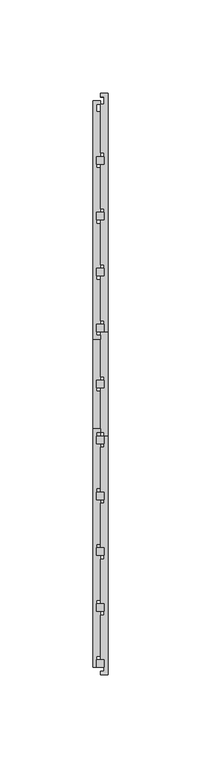
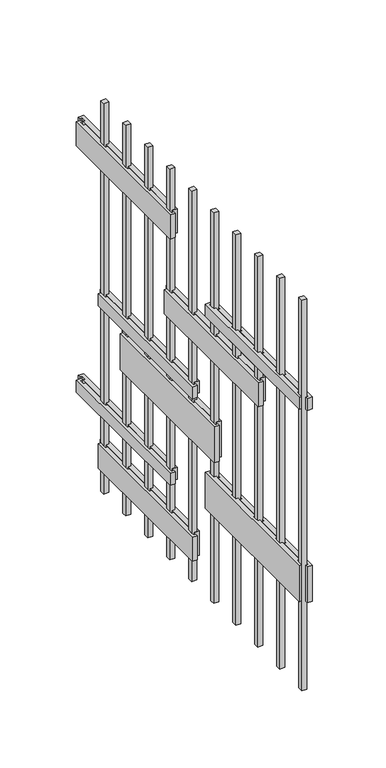
"""IFC4 building model written with IfcOpenShell, lengths in millimetres: proxy geometry."""

from ifc_helpers import new_model, si_unit, frame, origin, origin_with_axes, place, context, project, spatial, polyline, outline, extrude, source, transform, mapped, element, save


def generic_models_2b47cfcf(model_context):
    return source(origin(), model_context, "Body", "SweptSolid", [
        extrude(outline(polyline([(2.0, -242.0), (-2.0, -242.0), (-2.0, -238.0), (2.0, -238.0), (2.0, -242.0)])), origin_with_axes(), (0.0, 0.0, 1.0), 325.0),
        extrude(outline(polyline([(2.0, -272.0), (-2.0, -272.0), (-2.0, -268.0), (2.0, -268.0), (2.0, -272.0)])), origin_with_axes(), (0.0, 0.0, 1.0), 325.0),
        extrude(outline(polyline([(4.0, 36.0), (4.0, -92.0), (0.0, -92.0), (0.0, -90.0), (2.0, -90.0), (2.0, -86.0), (0.0, -86.0), (0.0, -60.0), (2.0, -60.0), (2.0, -56.0), (0.0, -56.0), (0.0, -30.0), (2.0, -30.0), (2.0, -26.0), (0.0, -26.0), (0.0, 0.0), (2.0, 0.0), (2.0, 4.0), (0.0, 4.0), (0.0, 30.0), (2.0, 30.0), (2.0, 34.0), (0.0, 34.0), (0.0, 36.0), (4.0, 36.0)])), frame((0.0, 0.0, 65.0), z_axis=(0.0, 0.0, 1.0), x_axis=(1.0, 0.0, 0.0)), (0.0, 0.0, 1.0), 10.0),
        extrude(outline(polyline([(4.0, 6.0), (4.0, -122.0), (0.0, -122.0), (0.0, -120.0), (2.0, -120.0), (2.0, -116.0), (0.0, -116.0), (0.0, -90.0), (2.0, -90.0), (2.0, -86.0), (0.0, -86.0), (0.0, -60.0), (2.0, -60.0), (2.0, -56.0), (0.0, -56.0), (0.0, -30.0), (2.0, -30.0), (2.0, -26.0), (0.0, -26.0), (0.0, 0.0), (2.0, 0.0), (2.0, 4.0), (0.0, 4.0), (0.0, 6.0), (4.0, 6.0)])), frame((0.0, 0.0, 20.0), z_axis=(0.0, 0.0, 1.0), x_axis=(1.0, 0.0, 0.0)), (0.0, 0.0, 1.0), 20.0),
        extrude(outline(polyline([(4.0, -148.0), (4.0, -276.0), (0.0, -276.0), (0.0, -274.0), (2.0, -274.0), (2.0, -270.0), (0.0, -270.0), (0.0, -244.0), (2.0, -244.0), (2.0, -240.0), (0.0, -240.0), (0.0, -214.0), (2.0, -214.0), (2.0, -210.0), (0.0, -210.0), (0.0, -184.0), (2.0, -184.0), (2.0, -180.0), (0.0, -180.0), (0.0, -154.0), (2.0, -154.0), (2.0, -150.0), (0.0, -150.0), (0.0, -148.0), (4.0, -148.0)])), frame((0.0, 0.0, 75.0), z_axis=(0.0, 0.0, 1.0), x_axis=(1.0, 0.0, 0.0)), (0.0, 0.0, 1.0), 30.0),
        extrude(outline(polyline([(4.0, -24.0), (4.0, -152.0), (0.0, -152.0), (0.0, -150.0), (2.0, -150.0), (2.0, -146.0), (0.0, -146.0), (0.0, -120.0), (2.0, -120.0), (2.0, -116.0), (0.0, -116.0), (0.0, -90.0), (2.0, -90.0), (2.0, -86.0), (0.0, -86.0), (0.0, -60.0), (2.0, -60.0), (2.0, -56.0), (0.0, -56.0), (0.0, -30.0), (2.0, -30.0), (2.0, -26.0), (0.0, -26.0), (0.0, -24.0), (4.0, -24.0)])), frame((0.0, 0.0, 120.0), z_axis=(0.0, 0.0, 1.0), x_axis=(1.0, 0.0, 0.0)), (0.0, 0.0, 1.0), 30.0),
        extrude(outline(polyline([(4.0, 6.0), (4.0, -122.0), (0.0, -122.0), (0.0, -120.0), (2.0, -120.0), (2.0, -116.0), (0.0, -116.0), (0.0, -90.0), (2.0, -90.0), (2.0, -86.0), (0.0, -86.0), (0.0, -60.0), (2.0, -60.0), (2.0, -56.0), (0.0, -56.0), (0.0, -30.0), (2.0, -30.0), (2.0, -26.0), (0.0, -26.0), (0.0, 0.0), (2.0, 0.0), (2.0, 4.0), (0.0, 4.0), (0.0, 6.0), (4.0, 6.0)])), frame((0.0, 0.0, 155.0), z_axis=(0.0, 0.0, 1.0), x_axis=(1.0, 0.0, 0.0)), (0.0, 0.0, 1.0), 10.0),
        extrude(outline(polyline([(4.0, -84.0), (4.0, -212.0), (0.0, -212.0), (0.0, -210.0), (2.0, -210.0), (2.0, -206.0), (0.0, -206.0), (0.0, -180.0), (2.0, -180.0), (2.0, -176.0), (0.0, -176.0), (0.0, -150.0), (2.0, -150.0), (2.0, -146.0), (0.0, -146.0), (0.0, -120.0), (2.0, -120.0), (2.0, -116.0), (0.0, -116.0), (0.0, -90.0), (2.0, -90.0), (2.0, -86.0), (0.0, -86.0), (0.0, -84.0), (4.0, -84.0)])), frame((0.0, 0.0, 203.0), z_axis=(0.0, 0.0, 1.0), x_axis=(1.0, 0.0, 0.0)), (0.0, 0.0, 1.0), 20.0),
        extrude(outline(polyline([(4.0, -148.0), (4.0, -276.0), (0.0, -276.0), (0.0, -274.0), (2.0, -274.0), (2.0, -270.0), (0.0, -270.0), (0.0, -244.0), (2.0, -244.0), (2.0, -240.0), (0.0, -240.0), (0.0, -214.0), (2.0, -214.0), (2.0, -210.0), (0.0, -210.0), (0.0, -184.0), (2.0, -184.0), (2.0, -180.0), (0.0, -180.0), (0.0, -154.0), (2.0, -154.0), (2.0, -150.0), (0.0, -150.0), (0.0, -148.0), (4.0, -148.0)])), frame((0.0, 0.0, 235.0), z_axis=(0.0, 0.0, 1.0), x_axis=(1.0, 0.0, 0.0)), (0.0, 0.0, 1.0), 10.0),
        extrude(outline(polyline([(4.0, 36.0), (4.0, -92.0), (0.0, -92.0), (0.0, -90.0), (2.0, -90.0), (2.0, -86.0), (0.0, -86.0), (0.0, -60.0), (2.0, -60.0), (2.0, -56.0), (0.0, -56.0), (0.0, -30.0), (2.0, -30.0), (2.0, -26.0), (0.0, -26.0), (0.0, 0.0), (2.0, 0.0), (2.0, 4.0), (0.0, 4.0), (0.0, 30.0), (2.0, 30.0), (2.0, 34.0), (0.0, 34.0), (0.0, 36.0), (4.0, 36.0)])), frame((0.0, 0.0, 270.0), z_axis=(0.0, 0.0, 1.0), x_axis=(1.0, 0.0, 0.0)), (0.0, 0.0, 1.0), 20.0),
        extrude(outline(polyline([(-4.0, -272.0), (-4.0, -144.0), (0.0, -144.0), (0.0, -146.0), (-2.0, -146.0), (-2.0, -150.0), (0.0, -150.0), (0.0, -176.0), (-2.0, -176.0), (-2.0, -180.0), (0.0, -180.0), (0.0, -206.0), (-2.0, -206.0), (-2.0, -210.0), (0.0, -210.0), (0.0, -236.0), (-2.0, -236.0), (-2.0, -240.0), (0.0, -240.0), (0.0, -266.0), (-2.0, -266.0), (-2.0, -270.0), (0.0, -270.0), (0.0, -272.0), (-4.0, -272.0)])), frame((0.0, 0.0, 235.0), z_axis=(0.0, 0.0, 1.0), x_axis=(1.0, 0.0, 0.0)), (0.0, 0.0, 1.0), 10.0),
        extrude(outline(polyline([(-4.0, -272.0), (-4.0, -144.0), (0.0, -144.0), (0.0, -146.0), (-2.0, -146.0), (-2.0, -150.0), (0.0, -150.0), (0.0, -176.0), (-2.0, -176.0), (-2.0, -180.0), (0.0, -180.0), (0.0, -206.0), (-2.0, -206.0), (-2.0, -210.0), (0.0, -210.0), (0.0, -236.0), (-2.0, -236.0), (-2.0, -240.0), (0.0, -240.0), (0.0, -266.0), (-2.0, -266.0), (-2.0, -270.0), (0.0, -270.0), (0.0, -272.0), (-4.0, -272.0)])), frame((0.0, 0.0, 75.0), z_axis=(0.0, 0.0, 1.0), x_axis=(1.0, 0.0, 0.0)), (0.0, 0.0, 1.0), 30.0),
        extrude(outline(polyline([(-4.0, -96.0), (-4.0, 32.0), (0.0, 32.0), (0.0, 30.0), (-2.0, 30.0), (-2.0, 26.0), (0.0, 26.0), (0.0, 0.0), (-2.0, 0.0), (-2.0, -4.0), (0.0, -4.0), (0.0, -30.0), (-2.0, -30.0), (-2.0, -34.0), (0.0, -34.0), (0.0, -60.0), (-2.0, -60.0), (-2.0, -64.0), (0.0, -64.0), (0.0, -90.0), (-2.0, -90.0), (-2.0, -94.0), (0.0, -94.0), (0.0, -96.0), (-4.0, -96.0)])), frame((0.0, 0.0, 270.0), z_axis=(0.0, 0.0, 1.0), x_axis=(1.0, 0.0, 0.0)), (0.0, 0.0, 1.0), 20.0),
        extrude(outline(polyline([(2.0, -212.0), (-2.0, -212.0), (-2.0, -208.0), (2.0, -208.0), (2.0, -212.0)])), origin_with_axes(), (0.0, 0.0, 1.0), 325.0),
        extrude(outline(polyline([(2.0, -182.0), (-2.0, -182.0), (-2.0, -178.0), (2.0, -178.0), (2.0, -182.0)])), origin_with_axes(), (0.0, 0.0, 1.0), 325.0),
        extrude(outline(polyline([(-4.0, -216.0), (-4.0, -88.0), (0.0, -88.0), (0.0, -90.0), (-2.0, -90.0), (-2.0, -94.0), (0.0, -94.0), (0.0, -120.0), (-2.0, -120.0), (-2.0, -124.0), (0.0, -124.0), (0.0, -150.0), (-2.0, -150.0), (-2.0, -154.0), (0.0, -154.0), (0.0, -180.0), (-2.0, -180.0), (-2.0, -184.0), (0.0, -184.0), (0.0, -210.0), (-2.0, -210.0), (-2.0, -214.0), (0.0, -214.0), (0.0, -216.0), (-4.0, -216.0)])), frame((0.0, 0.0, 203.0), z_axis=(0.0, 0.0, 1.0), x_axis=(1.0, 0.0, 0.0)), (0.0, 0.0, 1.0), 20.0),
        extrude(outline(polyline([(-4.0, -96.0), (-4.0, 32.0), (0.0, 32.0), (0.0, 30.0), (-2.0, 30.0), (-2.0, 26.0), (0.0, 26.0), (0.0, 0.0), (-2.0, 0.0), (-2.0, -4.0), (0.0, -4.0), (0.0, -30.0), (-2.0, -30.0), (-2.0, -34.0), (0.0, -34.0), (0.0, -60.0), (-2.0, -60.0), (-2.0, -64.0), (0.0, -64.0), (0.0, -90.0), (-2.0, -90.0), (-2.0, -94.0), (0.0, -94.0), (0.0, -96.0), (-4.0, -96.0)])), frame((0.0, 0.0, 65.0), z_axis=(0.0, 0.0, 1.0), x_axis=(1.0, 0.0, 0.0)), (0.0, 0.0, 1.0), 10.0),
        extrude(outline(polyline([(-4.0, -126.0), (-4.0, 2.0), (0.0, 2.0), (0.0, 0.0), (-2.0, 0.0), (-2.0, -4.0), (0.0, -4.0), (0.0, -30.0), (-2.0, -30.0), (-2.0, -34.0), (0.0, -34.0), (0.0, -60.0), (-2.0, -60.0), (-2.0, -64.0), (0.0, -64.0), (0.0, -90.0), (-2.0, -90.0), (-2.0, -94.0), (0.0, -94.0), (0.0, -120.0), (-2.0, -120.0), (-2.0, -124.0), (0.0, -124.0), (0.0, -126.0), (-4.0, -126.0)])), frame((0.0, 0.0, 20.0), z_axis=(0.0, 0.0, 1.0), x_axis=(1.0, 0.0, 0.0)), (0.0, 0.0, 1.0), 20.0),
        extrude(outline(polyline([(-4.0, -156.0), (-4.0, -28.0), (0.0, -28.0), (0.0, -30.0), (-2.0, -30.0), (-2.0, -34.0), (0.0, -34.0), (0.0, -60.0), (-2.0, -60.0), (-2.0, -64.0), (0.0, -64.0), (0.0, -90.0), (-2.0, -90.0), (-2.0, -94.0), (0.0, -94.0), (0.0, -120.0), (-2.0, -120.0), (-2.0, -124.0), (0.0, -124.0), (0.0, -150.0), (-2.0, -150.0), (-2.0, -154.0), (0.0, -154.0), (0.0, -156.0), (-4.0, -156.0)])), frame((0.0, 0.0, 120.0), z_axis=(0.0, 0.0, 1.0), x_axis=(1.0, 0.0, 0.0)), (0.0, 0.0, 1.0), 30.0),
        extrude(outline(polyline([(-4.0, -126.0), (-4.0, 2.0), (0.0, 2.0), (0.0, 0.0), (-2.0, 0.0), (-2.0, -4.0), (0.0, -4.0), (0.0, -30.0), (-2.0, -30.0), (-2.0, -34.0), (0.0, -34.0), (0.0, -60.0), (-2.0, -60.0), (-2.0, -64.0), (0.0, -64.0), (0.0, -90.0), (-2.0, -90.0), (-2.0, -94.0), (0.0, -94.0), (0.0, -120.0), (-2.0, -120.0), (-2.0, -124.0), (0.0, -124.0), (0.0, -126.0), (-4.0, -126.0)])), frame((0.0, 0.0, 155.0), z_axis=(0.0, 0.0, 1.0), x_axis=(1.0, 0.0, 0.0)), (0.0, 0.0, 1.0), 10.0),
        extrude(outline(polyline([(2.0, -148.0), (2.0, -152.0), (-2.0, -152.0), (-2.0, -148.0), (2.0, -148.0)])), origin_with_axes(), (0.0, 0.0, 1.0), 325.0),
        extrude(outline(polyline([(2.0, -118.0), (2.0, -122.0), (-2.0, -122.0), (-2.0, -118.0), (2.0, -118.0)])), origin_with_axes(), (0.0, 0.0, 1.0), 325.0),
        extrude(outline(polyline([(2.0, -88.0), (2.0, -92.0), (-2.0, -92.0), (-2.0, -88.0), (2.0, -88.0)])), origin_with_axes(), (0.0, 0.0, 1.0), 325.0),
        extrude(outline(polyline([(2.0, -58.0), (2.0, -62.0), (-2.0, -62.0), (-2.0, -58.0), (2.0, -58.0)])), origin_with_axes(), (0.0, 0.0, 1.0), 325.0),
        extrude(outline(polyline([(2.0, -28.0), (2.0, -32.0), (-2.0, -32.0), (-2.0, -28.0), (2.0, -28.0)])), origin_with_axes(), (0.0, 0.0, 1.0), 325.0),
        extrude(outline(polyline([(2.0, 2.0), (2.0, -2.0), (-2.0, -2.0), (-2.0, 2.0), (2.0, 2.0)])), origin_with_axes(), (0.0, 0.0, 1.0), 325.0),
    ])


if __name__ == "__main__":
    model = new_model("IFC4")
    model_context = context("Model", 3, world=origin())
    ifc_project = project(units=[si_unit("LENGTHUNIT", "METRE", prefix="MILLI")], contexts=[model_context])
    site = spatial("IfcSite", under=ifc_project)
    building = spatial("IfcBuilding", under=site)
    placement = place(None, origin())
    generic_models_shape = generic_models_2b47cfcf(model_context)
    element("IfcBuildingElementProxy", 1, Name="Generic Models", at=placement, inside=building, context=model_context, shape_type="MappedRepresentation", body=[
        mapped(generic_models_shape, transform((0.0, 0.0, 0.0), x_axis=(1.0, 0.0, 0.0), y_axis=(0.0, 1.0, 0.0), z_axis=(0.0, 0.0, 1.0))),
    ])
    save(model, "model.ifc")
